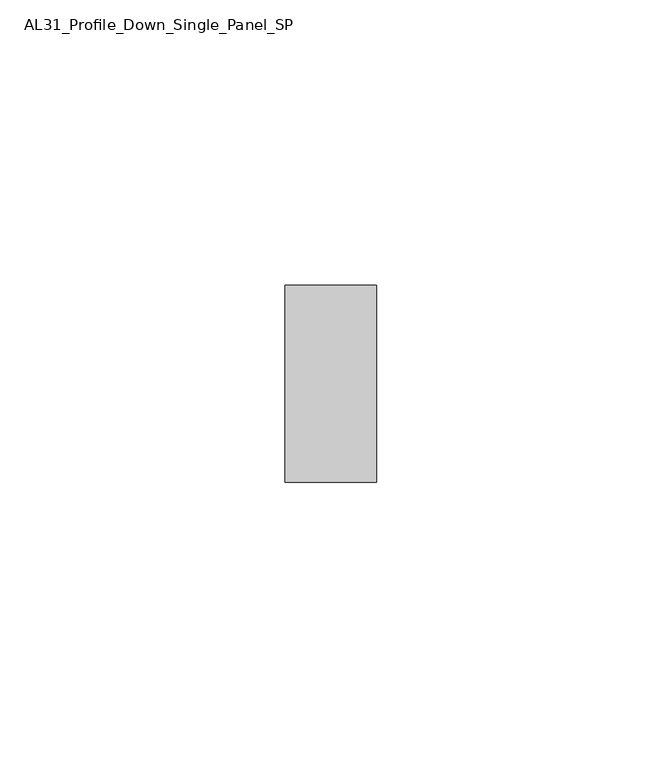
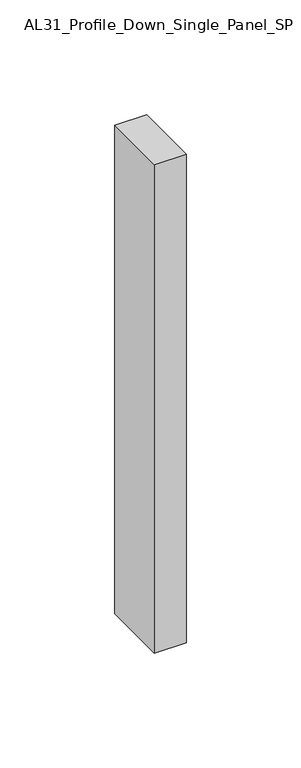
"""IFC4 building model written with IfcOpenShell, lengths in millimetres: member geometry, AL31_Profile_Down_Single_Panel_SP."""

from ifc_helpers import new_model, si_unit, frame, origin, place, context, project, spatial, polyline, outline, extrude, source, transform, mapped, element, save


def al31_profile_down_single_panel_sp_af8e42b8(model_context):
    return source(origin(), model_context, "Body", "SweptSolid", [
        extrude(outline(polyline([(0.0, -17.25), (-16.0, -17.25), (-16.0, 17.25), (0.0, 17.25), (0.0, -17.25)])), frame((0.0, 0.0, -260.0), z_axis=(0.0, 0.0, 1.0), x_axis=(1.0, 0.0, 0.0)), (0.0, 0.0, 1.0), 260.0),
    ])


if __name__ == "__main__":
    model = new_model("IFC4")
    model_context = context("Model", 3, world=origin())
    ifc_project = project(units=[si_unit("LENGTHUNIT", "METRE", prefix="MILLI")], contexts=[model_context])
    site = spatial("IfcSite", under=ifc_project)
    building = spatial("IfcBuilding", under=site)
    placement = place(None, origin())
    al31_profile_down_single_panel_sp_shape = al31_profile_down_single_panel_sp_af8e42b8(model_context)
    element("IfcMember", 1, ObjectType="AL31_Profile_Down_Single_Panel_SP", at=placement, inside=building, context=model_context, shape_type="MappedRepresentation", body=[
        mapped(al31_profile_down_single_panel_sp_shape, transform((0.0, 0.0, 0.0), x_axis=(1.0, 0.0, 0.0), y_axis=(0.0, 1.0, 0.0), z_axis=(0.0, 0.0, 1.0))),
    ])
    save(model, "model.ifc")
